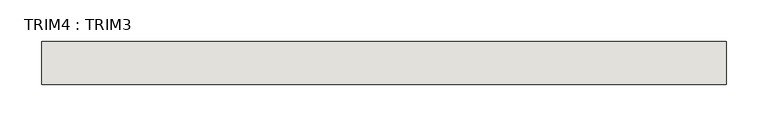
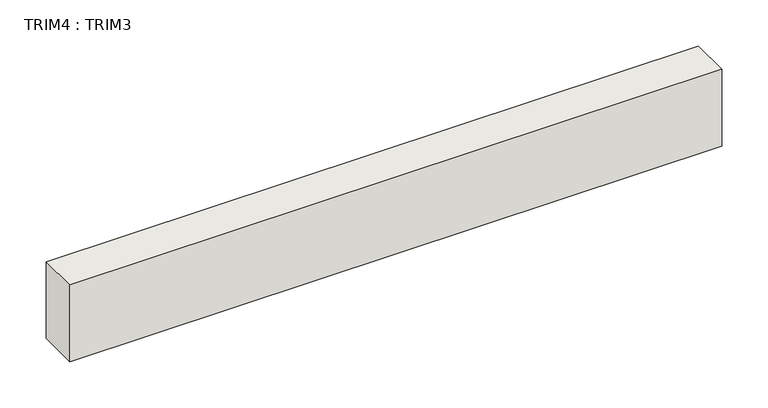
"""IFC4 building model written with IfcOpenShell, lengths in millimetres: wall geometry, TRIM4 : TRIM3."""

from ifc_helpers import new_model, si_unit, frame, origin, place, context, project, spatial, polyline, outline, extrude, source, transform, mapped, element, save


def trim4_trim3_6ef6f873(model_context):
    return source(origin(), model_context, "Body", "SweptSolid", [
        extrude(outline(polyline([(-12141.5966415, -354.1267035), (-12957.5716415, -354.1267035), (-12957.5716415, -303.3267035), (-12141.5966415, -303.3267035), (-12141.5966415, -354.1267035)])), frame((0.0, 0.0, 5365.75), z_axis=(0.0, 0.0, 1.0), x_axis=(1.0, 0.0, 0.0)), (0.0, 0.0, 1.0), 101.6),
    ])


if __name__ == "__main__":
    model = new_model("IFC4")
    model_context = context("Model", 3, world=origin())
    ifc_project = project(units=[si_unit("LENGTHUNIT", "METRE", prefix="MILLI")], contexts=[model_context])
    site = spatial("IfcSite", under=ifc_project)
    building = spatial("IfcBuilding", under=site)
    placement = place(None, origin())
    trim4_trim3_shape = trim4_trim3_6ef6f873(model_context)
    element("IfcWall", 1, ObjectType="TRIM4 : TRIM3", at=placement, inside=building, context=model_context, shape_type="MappedRepresentation", body=[
        mapped(trim4_trim3_shape, transform((0.0, 0.0, 0.0), x_axis=(1.0, 0.0, 0.0), y_axis=(0.0, 1.0, 0.0), z_axis=(0.0, 0.0, 1.0))),
    ])
    save(model, "model.ifc")
